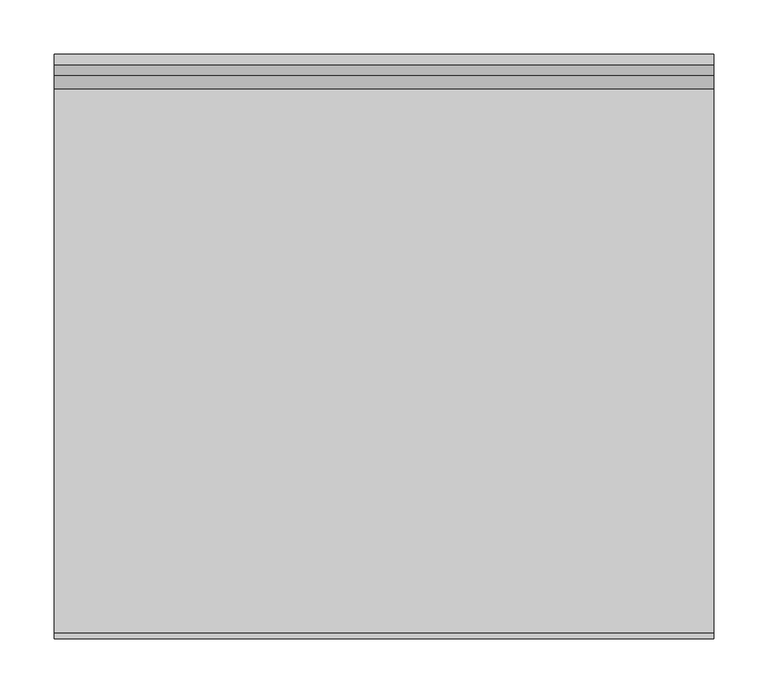
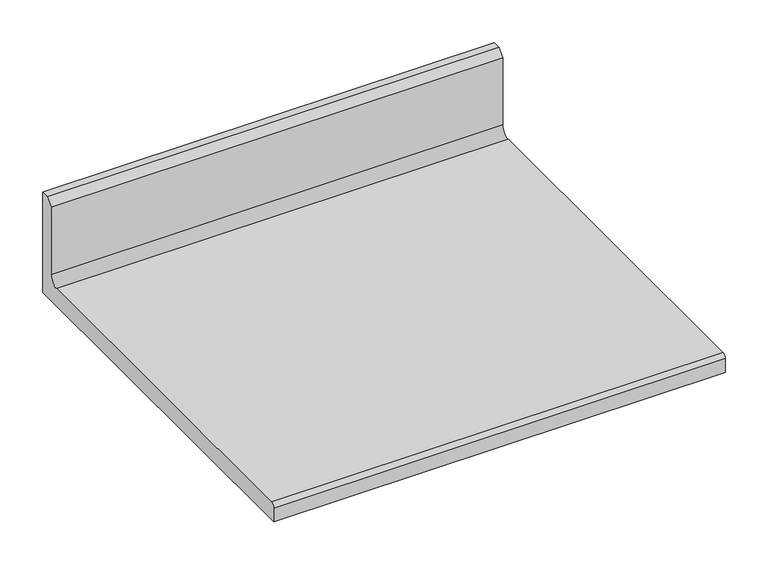
"""IFC4 building model written with IfcOpenShell, lengths in millimetres: furniture geometry."""

from ifc_helpers import new_model, si_unit, point, frame, frame_2d, origin, place, context, project, spatial, polyline, circle_curve, trimmed, segment, composite_curve, outline, extrude, source, transform, mapped, element, save


def furniture_820954e7(model_context):
    return source(origin(), model_context, "Body", "SweptSolid", [
        extrude(outline(composite_curve([segment(polyline([(168.529, 1106.297), (168.529, 962.66508), (-371.729, 962.66508), (-371.729, 982.47708)]), True, "CONTINUOUS"), segment(trimmed(circle_curve(frame_2d((-366.141, 982.47708)), 5.588), [point((-371.729, 982.47708))], [point((-366.141, 988.06508))], False, "CARTESIAN"), True, "CONTINUOUS"), segment(polyline([(-366.141, 988.06508), (136.271, 988.06508)]), True, "CONTINUOUS"), segment(trimmed(circle_curve(frame_2d((136.271, 1000.76508)), 12.7), [point((136.271, 988.06508))], [point((148.971, 1000.76508))], True, "CARTESIAN"), True, "CONTINUOUS"), segment(polyline([(148.971, 1000.76508), (148.971, 1096.772), (158.496, 1106.297), (168.529, 1106.297)]), True, "CONTINUOUS")], self_intersect=False)), frame((-304.8, 0.0, 0.0), z_axis=(1.0, 0.0, 0.0), x_axis=(0.0, 1.0, 0.0)), (0.0, 0.0, 1.0), 609.6),
    ])


if __name__ == "__main__":
    model = new_model("IFC4")
    model_context = context("Model", 3, world=origin())
    ifc_project = project(units=[si_unit("LENGTHUNIT", "METRE", prefix="MILLI")], contexts=[model_context])
    site = spatial("IfcSite", under=ifc_project)
    building = spatial("IfcBuilding", under=site)
    placement = place(None, origin())
    furniture_shape = furniture_820954e7(model_context)
    element("IfcFurniture", 1, at=placement, inside=building, context=model_context, shape_type="MappedRepresentation", body=[
        mapped(furniture_shape, transform((0.0, 0.0, 0.0), x_axis=(1.0, 0.0, 0.0), y_axis=(0.0, 1.0, 0.0), z_axis=(0.0, 0.0, 1.0))),
    ])
    save(model, "model.ifc")
